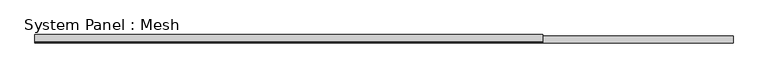
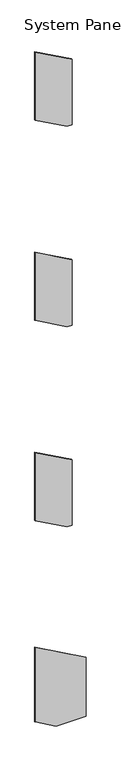
"""IFC4 building model written with IfcOpenShell, lengths in millimetres: plate geometry, System Panel : Mesh."""

import ifcopenshell
import ifcopenshell.guid

model = None  # the IFC model being written
_history = None  # IfcOwnerHistory: only IFC2X3 demands one
_inside = {}  # id of a spatial element -> (the spatial element, [elements in it])
_under = {}  # id of a project, library or spatial element -> (it, [spatial elements below it])
_declared = {}  # id of a project -> (the project, [libraries it declares])
_typed = {}  # id of a type object -> (the type object, [elements of that type])
_made_of = {}  # id of a material, layer set ... -> (it, [elements and type objects made of it])


def new_model(schema):
    """Start an empty IFC model of exactly this schema.

    Asked for "IFC4X3", IfcOpenShell would pick the latest addendum, in which some entities
    have other attributes; the version numbers below select the first issue.
    IFC2X3 requires an IfcOwnerHistory on every rooted entity: one is made here for all.
    """
    global model, _history
    if schema == "IFC4X3":
        model = ifcopenshell.file(schema_version=(4, 3, 0, 0))
    else:
        model = ifcopenshell.file(schema=schema)
    _inside.clear()
    _under.clear()
    _declared.clear()
    _typed.clear()
    _made_of.clear()
    _history = None
    if model.schema == "IFC2X3":
        org = make("IfcOrganization", Name="unknown")
        user = make(
            "IfcPersonAndOrganization",
            ThePerson=make("IfcPerson", FamilyName="unknown"),
            TheOrganization=org,
        )
        app = make(
            "IfcApplication",
            ApplicationDeveloper=org,
            Version="unknown",
            ApplicationFullName="unknown",
            ApplicationIdentifier="unknown",
        )
        _history = make(
            "IfcOwnerHistory",
            OwningUser=user,
            OwningApplication=app,
            ChangeAction="ADDED",
            CreationDate=0,
        )
    return model


def make(cls, **values):
    """One entity of the class cls with the attributes given. An attribute that is None is left unset."""
    return model.create_entity(
        cls, **{name: value for name, value in values.items() if value is not None}
    )


def rooted(cls, **values):
    """An entity with a GlobalId (a new one), such as an element, a storey or a relation."""
    return make(cls, GlobalId=ifcopenshell.guid.new(), OwnerHistory=_history, **values)


def si_unit(unit_type, name, prefix=None):
    """IfcSIUnit, for example si_unit("LENGTHUNIT", "METRE", prefix="MILLI")."""
    return make("IfcSIUnit", UnitType=unit_type, Prefix=prefix, Name=name)


def assignment(units):
    """IfcUnitAssignment: the units of a project."""
    return None if units is None else make("IfcUnitAssignment", Units=units)


def point(xyz):
    """IfcCartesianPoint."""
    return None if xyz is None else make("IfcCartesianPoint", Coordinates=xyz)


def direction(xyz):
    """IfcDirection."""
    return None if xyz is None else make("IfcDirection", DirectionRatios=xyz)


def frame(location, z_axis=None, x_axis=None):
    """IfcAxis2Placement3D, a coordinate frame: its origin and axes. An axis left out is left unset."""
    return make(
        "IfcAxis2Placement3D",
        Location=point(location),
        Axis=direction(z_axis),
        RefDirection=direction(x_axis),
    )


def origin():
    """The frame at (0, 0, 0) with its axes left unset."""
    return frame((0.0, 0.0, 0.0))


def place(relative_to, where):
    """IfcLocalPlacement: puts the frame where relative to a parent placement (None: the world)."""
    return make(
        "IfcLocalPlacement", PlacementRelTo=relative_to, RelativePlacement=where
    )


def context(
    kind, dimensions, precision=None, world=None, true_north=None, identifier=None
):
    """IfcGeometricRepresentationContext, for example the 3D "Model" context."""
    return make(
        "IfcGeometricRepresentationContext",
        ContextIdentifier=identifier,
        ContextType=kind,
        CoordinateSpaceDimension=dimensions,
        Precision=precision,
        WorldCoordinateSystem=world,
        TrueNorth=true_north,
    )


def project(units=None, contexts=None):
    """IfcProject with its units and contexts."""
    return rooted(
        "IfcProject",
        Name="project",
        RepresentationContexts=contexts,
        UnitsInContext=assignment(units),
    )


def spatial(cls, under=None, at=None, **own):
    """A site, building, storey or space (cls), placed at a placement, below another one or the project."""
    s = rooted(cls, ObjectPlacement=at, **own)
    if under is not None:
        _under.setdefault(under.id(), (under, []))[1].append(s)
    return s


def polyline(points):
    """IfcPolyline through the points."""
    return make("IfcPolyline", Points=[point(p) for p in points])


def outline(outer, holes=None, kind="AREA"):
    """IfcArbitraryClosedProfileDef: a profile drawn as a closed curve; with holes, ...WithVoids."""
    if holes is None:
        return make("IfcArbitraryClosedProfileDef", ProfileType=kind, OuterCurve=outer)
    return make(
        "IfcArbitraryProfileDefWithVoids",
        ProfileType=kind,
        OuterCurve=outer,
        InnerCurves=holes,
    )


def extrude(swept, where, along, depth):
    """IfcExtrudedAreaSolid: the profile swept, set in the frame where, extruded along a direction by depth."""
    return make(
        "IfcExtrudedAreaSolid",
        SweptArea=swept,
        Position=where,
        ExtrudedDirection=direction(along),
        Depth=depth,
    )


def shape(context_of_items, identifier, shape_type, items):
    """IfcShapeRepresentation: the items that make up one representation, for example the "Body"."""
    return make(
        "IfcShapeRepresentation",
        ContextOfItems=context_of_items,
        RepresentationIdentifier=identifier,
        RepresentationType=shape_type,
        Items=items,
    )


def source(mapping_origin, context_of_items, identifier, shape_type, items):
    """IfcRepresentationMap: a shape defined once, which mapped items show again and again."""
    return make(
        "IfcRepresentationMap",
        MappingOrigin=mapping_origin,
        MappedRepresentation=shape(context_of_items, identifier, shape_type, items),
    )


def transform(
    local_origin,
    x_axis=None,
    y_axis=None,
    z_axis=None,
    scale=None,
    scale2=None,
    scale3=None,
    uniform=True,
):
    """IfcCartesianTransformationOperator3D, or its non-uniform kind. x_axis, y_axis, z_axis: its Axis1, 2, 3."""
    if uniform:
        return make(
            "IfcCartesianTransformationOperator3D",
            Axis1=direction(x_axis),
            Axis2=direction(y_axis),
            LocalOrigin=point(local_origin),
            Scale=scale,
            Axis3=direction(z_axis),
        )
    return make(
        "IfcCartesianTransformationOperator3DnonUniform",
        Axis1=direction(x_axis),
        Axis2=direction(y_axis),
        LocalOrigin=point(local_origin),
        Scale=scale,
        Axis3=direction(z_axis),
        Scale2=scale2,
        Scale3=scale3,
    )


def mapped(mapping_source, mapping_target):
    """IfcMappedItem: shows the shape of a source again, moved by a transform."""
    return make(
        "IfcMappedItem", MappingSource=mapping_source, MappingTarget=mapping_target
    )


def made_of(thing, what):
    """Note that an element or type object is made of a material, layer set ...; save() writes the relation."""
    if what is not None:
        _made_of.setdefault(what.id(), (what, []))[1].append(thing)
    return thing


def element(
    cls,
    number,
    at=None,
    inside=None,
    cuts=None,
    type_object=None,
    material=None,
    context=None,
    identifier="Body",
    shape_type=None,
    held_by="IfcProductDefinitionShape",
    body=None,
    shapes=None,
    **own,
):
    """One element of the class cls, such as IfcWall. Its Tag is "e" and its number.

    at: its placement. inside: the storey or other place that contains it. cuts: it is an
    opening in that element (IfcRelVoidsElement). A single representation is given by context,
    identifier, shape_type and body (its items); several are given by shapes. held_by: the class
    of the entity that holds the representations. save() writes the other relations.
    """
    e = rooted(cls, Tag="e%d" % number, ObjectPlacement=at, **own)
    if body is not None:
        shapes = [shape(context, identifier, shape_type, body)]
    if shapes is not None:
        e.Representation = make(held_by, Representations=shapes)
    if inside is not None:
        _inside.setdefault(inside.id(), (inside, []))[1].append(e)
    if cuts is not None:
        rooted(
            "IfcRelVoidsElement", RelatingBuildingElement=cuts, RelatedOpeningElement=e
        )
    if type_object is not None:
        _typed.setdefault(type_object.id(), (type_object, []))[1].append(e)
    return made_of(e, material)


def aggregate(whole, parts):
    """IfcRelAggregates: a whole, such as a stair, and the parts it consists of."""
    return rooted("IfcRelAggregates", RelatingObject=whole, RelatedObjects=parts)


def save(model, path):
    """Write the relations noted so far, then the file.

    IfcRelAggregates (storeys below a building ...), IfcRelContainedInSpatialStructure (elements
    in a storey), IfcRelDefinesByType, IfcRelAssociatesMaterial and IfcRelDeclares: one each for
    every whole, place, type object, material and project.
    """
    for whole, parts in _under.values():
        aggregate(whole, parts)
    for where, things in _inside.values():
        rooted(
            "IfcRelContainedInSpatialStructure",
            RelatedElements=things,
            RelatingStructure=where,
        )
    for kind, things in _typed.values():
        rooted("IfcRelDefinesByType", RelatedObjects=things, RelatingType=kind)
    for what, things in _made_of.values():
        rooted("IfcRelAssociatesMaterial", RelatedObjects=things, RelatingMaterial=what)
    for by, libraries in _declared.values():
        rooted("IfcRelDeclares", RelatingContext=by, RelatedDefinitions=libraries)
    model.write(path)


def system_panel_mesh_4e18e913(model_context):
    return source(origin(), model_context, "Body", "SweptSolid", [
        extrude(outline(polyline([(8500.0, 138.972723), (8500.0, 235.4063381), (9907.5502206, 235.4063381), (10325.0143823, -517.0), (8863.9590592, -517.0), (8500.0, 138.972723)])), frame((0.0, -5.0, 0.0), z_axis=(0.0, 1.0, 0.0), x_axis=(0.0, 0.0, 1.0)), (0.0, 0.0, 1.0), 10.0),
        extrude(outline(polyline([(4200.0, 138.972723), (4200.0, 235.4063381), (5607.5502206, 235.4063381), (6025.0143823, -517.0), (4563.9590592, -517.0), (4200.0, 138.972723)])), frame((0.0, -5.0, 0.0), z_axis=(0.0, 1.0, 0.0), x_axis=(0.0, 0.0, 1.0)), (0.0, 0.0, 1.0), 10.0),
        extrude(outline(polyline([(0.0, -88.5482032), (0.0, 517.0), (1265.3353438, 517.0), (1842.6306291, -517.0), (239.2100602, -517.0), (0.0, -88.5482032)])), frame((0.0, -5.0, 0.0), z_axis=(0.0, 1.0, 0.0), x_axis=(0.0, 0.0, 1.0)), (0.0, 0.0, 1.0), 10.0),
        extrude(outline(polyline([(12800.0, 138.8399749), (12800.0, 235.4063381), (14208.2291689, 235.4063381), (14626.6641775, -517.0), (13164.7316505, -517.0), (12800.0, 138.8399749)])), frame((0.0, -5.0, 0.0), z_axis=(0.0, 1.0, 0.0), x_axis=(0.0, 0.0, 1.0)), (0.0, 0.0, 1.0), 10.0),
    ])


if __name__ == "__main__":
    model = new_model("IFC4")
    model_context = context("Model", 3, world=origin())
    ifc_project = project(units=[si_unit("LENGTHUNIT", "METRE", prefix="MILLI")], contexts=[model_context])
    site = spatial("IfcSite", under=ifc_project)
    building = spatial("IfcBuilding", under=site)
    placement = place(None, origin())
    system_panel_mesh_shape = system_panel_mesh_4e18e913(model_context)
    element("IfcPlate", 1, ObjectType="System Panel : Mesh", at=placement, inside=building, context=model_context, shape_type="MappedRepresentation", body=[
        mapped(system_panel_mesh_shape, transform((0.0, 0.0, 0.0), x_axis=(1.0, 0.0, 0.0), y_axis=(0.0, 1.0, 0.0), z_axis=(0.0, 0.0, 1.0))),
    ])
    save(model, "model.ifc")
